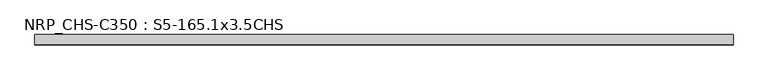
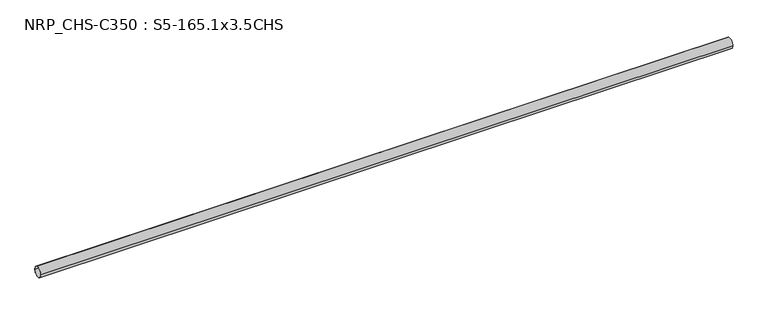
"""IFC4 building model written with IfcOpenShell, lengths in millimetres: beam geometry, NRP_CHS-C350 : S5-165.1x3.5CHS."""

from ifc_helpers import new_model, si_unit, point, frame, origin, origin_2d, place, context, project, spatial, circle_curve, trimmed, segment, composite_curve, outline, extrude, source, transform, mapped, element, save


def nrp_chs_c350_s5_165_1x3_5chs_09c203f4(model_context):
    return source(origin(), model_context, "Body", "SweptSolid", [
        extrude(outline(composite_curve([segment(trimmed(circle_curve(origin_2d(), 82.55), [point((-82.55, 0.0))], [point((82.55, 0.0))], False, "CARTESIAN"), True, "CONTINUOUS"), segment(trimmed(circle_curve(origin_2d(), 82.55), [point((82.55, 0.0))], [point((-82.55, 0.0))], False, "CARTESIAN"), True, "CONTINUOUS")], self_intersect=False), holes=[composite_curve([segment(trimmed(circle_curve(origin_2d(), 79.05), [point((79.05, 0.0))], [point((-79.05, 0.0))], True, "CARTESIAN"), True, "CONTINUOUS"), segment(trimmed(circle_curve(origin_2d(), 79.05), [point((-79.05, 0.0))], [point((79.05, 0.0))], True, "CARTESIAN"), True, "CONTINUOUS")], self_intersect=False)]), frame((-5522.8, 0.0, 0.0), z_axis=(1.0, 0.0, 0.0), x_axis=(0.0, 1.0, 0.0)), (0.0, 0.0, 1.0), 11058.3),
    ])


if __name__ == "__main__":
    model = new_model("IFC4")
    model_context = context("Model", 3, world=origin())
    ifc_project = project(units=[si_unit("LENGTHUNIT", "METRE", prefix="MILLI")], contexts=[model_context])
    site = spatial("IfcSite", under=ifc_project)
    building = spatial("IfcBuilding", under=site)
    placement = place(None, origin())
    nrp_chs_c350_s5_165_1x3_5chs_shape = nrp_chs_c350_s5_165_1x3_5chs_09c203f4(model_context)
    element("IfcBeam", 1, ObjectType="NRP_CHS-C350 : S5-165.1x3.5CHS", at=placement, inside=building, context=model_context, shape_type="MappedRepresentation", body=[
        mapped(nrp_chs_c350_s5_165_1x3_5chs_shape, transform((0.0, 0.0, 0.0), x_axis=(1.0, 0.0, 0.0), y_axis=(0.0, 1.0, 0.0), z_axis=(0.0, 0.0, 1.0))),
    ])
    save(model, "model.ifc")
